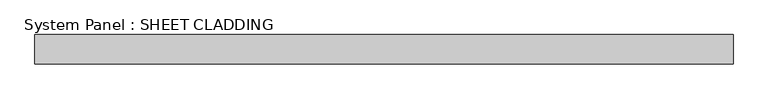
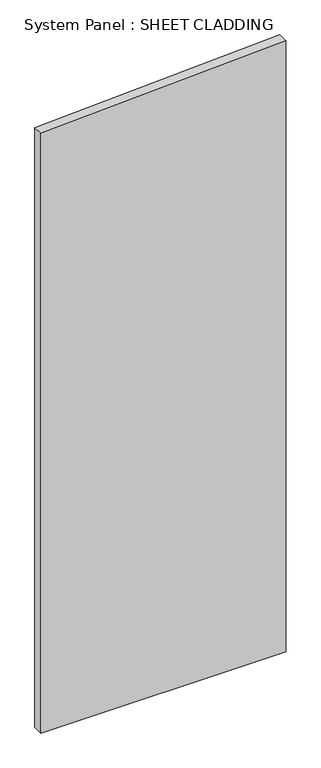
"""IFC4 building model written with IfcOpenShell, lengths in millimetres: plate geometry, System Panel : SHEET CLADDING."""

from ifc_helpers import new_model, si_unit, frame, origin, place, context, project, spatial, polyline, outline, extrude, source, transform, mapped, element, save


def system_panel_sheet_cladding_b202f288(model_context):
    return source(origin(), model_context, "Body", "SweptSolid", [
        extrude(outline(polyline([(0.0, -718.75), (0.0, 718.75), (3791.35, 718.75), (3719.475, -718.75), (0.0, -718.75)])), frame((0.0, -49.5, 0.0), z_axis=(0.0, 1.0, 0.0), x_axis=(0.0, 0.0, 1.0)), (0.0, 0.0, 1.0), 60.0),
    ])


if __name__ == "__main__":
    model = new_model("IFC4")
    model_context = context("Model", 3, world=origin())
    ifc_project = project(units=[si_unit("LENGTHUNIT", "METRE", prefix="MILLI")], contexts=[model_context])
    site = spatial("IfcSite", under=ifc_project)
    building = spatial("IfcBuilding", under=site)
    placement = place(None, origin())
    system_panel_sheet_cladding_shape = system_panel_sheet_cladding_b202f288(model_context)
    element("IfcPlate", 1, ObjectType="System Panel : SHEET CLADDING", at=placement, inside=building, context=model_context, shape_type="MappedRepresentation", body=[
        mapped(system_panel_sheet_cladding_shape, transform((0.0, 0.0, 0.0), x_axis=(1.0, 0.0, 0.0), y_axis=(0.0, 1.0, 0.0), z_axis=(0.0, 0.0, 1.0))),
    ])
    save(model, "model.ifc")
